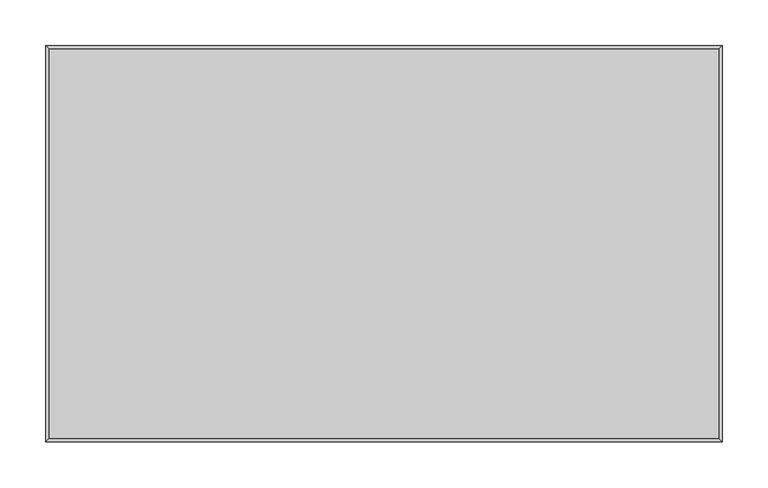
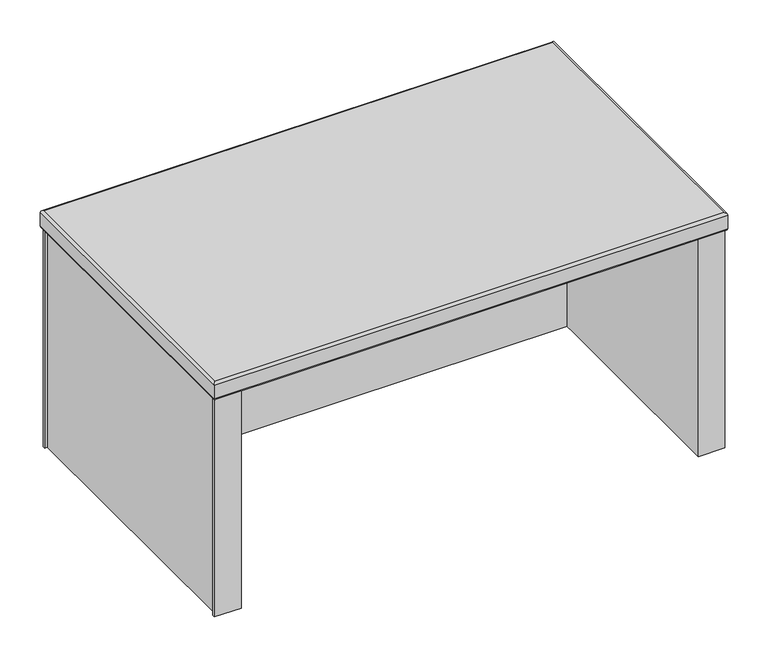
"""IFC4 building model written with IfcOpenShell, lengths in millimetres: furniture geometry."""

from ifc_helpers import new_model, si_unit, frame, origin, place, context, project, spatial, polyline, ellipse_curve, outline, extrude, source, transform, mapped, element, save
from ifc_brep_helpers import plane_surface, cylinder_surface, advanced_brep


def furniture_2478522f(model_context):
    return source(origin(), model_context, "Body", "SolidModel", [
        extrude(outline(polyline([(2.1843999, -428.6122828), (2.1843999, -424.8023046), (6.3245998, -424.8023046), (6.3245998, -6.9722999), (2.1843999, -6.9722999), (2.1843999, -3.1622999), (40.4875995, -3.1622999), (40.4875995, -428.6122828), (2.1843999, -428.6122828)]), holes=[polyline([(39.2176008, -24.6850803), (39.2176008, -4.4323001), (11.8872002, -4.4323001), (11.8872002, -6.9722999), (7.5946003, -6.9722999), (7.5946003, -24.6850803), (39.2176008, -24.6850803)]), polyline([(39.2176008, -407.1149197), (7.5946003, -407.1149197), (7.5946003, -424.8277001), (11.8872002, -424.8277001), (11.8872002, -427.3676999), (39.2176008, -427.3676999), (39.2176008, -407.1149197)])]), frame((0.0, 0.0, 738.2002), z_axis=(0.0, 0.0, 1.0), x_axis=(1.0, 0.0, 0.0)), (0.0, 0.0, 1.0), 330.3270029),
        extrude(outline(polyline([(734.4162057, -428.6122828), (696.113006, -428.6122828), (696.113006, -3.1622999), (734.4162057, -3.1622999), (734.4162057, -6.9722999), (730.2760058, -6.9722999), (730.2760058, -424.8023046), (734.4162057, -424.8023046), (734.4162057, -428.6122828)]), holes=[polyline([(697.3830048, -24.6850803), (729.0060053, -24.6850803), (729.0060053, -6.9722999), (724.7134053, -6.9722999), (724.7134053, -4.4323001), (697.3830048, -4.4323001), (697.3830048, -24.6850803)]), polyline([(697.3830048, -407.1149197), (697.3830048, -427.3676999), (724.7134053, -427.3676999), (724.7134053, -424.8277001), (729.0060053, -424.8277001), (729.0060053, -407.1149197), (697.3830048, -407.1149197)])]), frame((0.0, 0.0, 738.2002), z_axis=(0.0, 0.0, 1.0), x_axis=(1.0, 0.0, 0.0)), (0.0, 0.0, 1.0), 330.3270029),
        advanced_brep(
        [(736.6006056, 0.0, 1092.2281807), (733.4256056, -3.175, 1095.4031807), (733.2914366, -428.625, 1095.4003446), (736.6006056, -431.8, 1092.2281807), (736.6006056, -431.8, 1071.7022029), (736.6006056, 0.0, 1071.7022029), (733.4256056, -428.625, 1068.5272029), (733.4256056, -3.175, 1068.5272029), (3.175, -428.4908311, 1095.4003446), (0.0, -431.8, 1092.2281807), (0.0, -431.8, 1071.7022029), (3.175, -428.625, 1068.5272029), (3.3091689, -3.175, 1095.4003446), (0.0, 0.0, 1092.2281807), (0.0, 0.0, 1071.7022029), (3.175, -3.175, 1068.5272029)],
        [
            (0, 1, ellipse_curve(frame((733.4256056, -3.175, 1092.2281807), z_axis=(0.7071067811865475, -0.7071067811865475, 0.0), x_axis=(0.7071067811865474, 0.7071067811865476, 0.0)), 4.4901281, 3.175)),
            (1, 2),
            (2, 3, ellipse_curve(frame((733.4256056, -428.625, 1092.2281807), z_axis=(0.7071067811865475, 0.7071067811865475, 0.0), x_axis=(-0.7071067811865474, 0.7071067811865476, 0.0)), 4.4901281, 3.175)),
            (3, 0),
            (3, 4),
            (4, 5),
            (5, 0),
            (4, 6, ellipse_curve(frame((733.4256056, -428.625, 1071.7022029), z_axis=(0.7071067811865475, 0.7071067811865475, 0.0), x_axis=(-0.7071067811865474, 0.7071067811865476, 0.0)), 4.4901281, 3.175)),
            (6, 7),
            (7, 5, ellipse_curve(frame((733.4256056, -3.175, 1071.7022029), z_axis=(0.7071067811865475, -0.7071067811865475, 0.0), x_axis=(0.7071067811865474, 0.7071067811865476, 0.0)), 4.4901281, 3.175)),
            (2, 8),
            (8, 9, ellipse_curve(frame((3.175, -428.625, 1092.2281807), z_axis=(0.7071067811865475, -0.7071067811865475, 0.0), x_axis=(0.7071067811865476, 0.7071067811865474, 0.0)), 4.4901281, 3.175)),
            (9, 3),
            (9, 10),
            (10, 4),
            (10, 11, ellipse_curve(frame((3.175, -428.625, 1071.7022029), z_axis=(0.7071067811865475, -0.7071067811865475, 0.0), x_axis=(0.7071067811865476, 0.7071067811865474, 0.0)), 4.4901281, 3.175)),
            (11, 6),
            (8, 12),
            (12, 13, ellipse_curve(frame((3.175, -3.175, 1092.2281807), z_axis=(-0.7071067811865475, -0.7071067811865475, 0.0), x_axis=(0.7071067811865474, -0.7071067811865476, 0.0)), 4.4901281, 3.175)),
            (13, 9),
            (13, 14),
            (14, 10),
            (14, 15, ellipse_curve(frame((3.175, -3.175, 1071.7022029), z_axis=(-0.7071067811865475, -0.7071067811865475, 0.0), x_axis=(0.7071067811865474, -0.7071067811865476, 0.0)), 4.4901281, 3.175)),
            (15, 11),
            (0, 13),
            (12, 1),
            (5, 14),
            (7, 15),
        ],
        [
            cylinder_surface(frame((733.4256056, -3.175, 1092.2281807), z_axis=(0.0, 1.0, 0.0), x_axis=(1.0, 0.0, 0.0)), 3.175),
            plane_surface(frame((736.6006056, 0.0, 1092.2281807), z_axis=(1.0, 0.0, 0.0), x_axis=(0.0, -1.0, 0.0))),
            cylinder_surface(frame((733.4256056, -3.175, 1071.7022029), z_axis=(0.0, 1.0, 0.0), x_axis=(1.0, 0.0, 0.0)), 3.175),
            cylinder_surface(frame((733.4256056, -428.625, 1092.2281807), z_axis=(1.0, 0.0, 0.0), x_axis=(0.0, -1.0, 0.0)), 3.175),
            plane_surface(frame((736.6006056, -431.8, 1092.2281807), z_axis=(0.0, -1.0, 0.0), x_axis=(-1.0, 0.0, 0.0))),
            cylinder_surface(frame((733.4256056, -428.625, 1071.7022029), z_axis=(1.0, 0.0, 0.0), x_axis=(0.0, -1.0, 0.0)), 3.175),
            cylinder_surface(frame((3.175, -428.625, 1092.2281807), z_axis=(0.0, -1.0, 0.0), x_axis=(-1.0, 0.0, 0.0)), 3.175),
            plane_surface(frame((0.0, -431.8, 1092.2281807), z_axis=(-1.0, 0.0, 0.0), x_axis=(0.0, 1.0, 0.0))),
            cylinder_surface(frame((3.175, -428.625, 1071.7022029), z_axis=(0.0, -1.0, 0.0), x_axis=(-1.0, 0.0, 0.0)), 3.175),
            cylinder_surface(frame((3.175, -3.175, 1092.2281807), z_axis=(-1.0, 0.0, 0.0), x_axis=(0.0, 1.0, 0.0)), 3.175),
            plane_surface(frame((0.0, 0.0, 1092.2281807), z_axis=(0.0, 1.0, 0.0), x_axis=(1.0, 0.0, 0.0))),
            cylinder_surface(frame((3.175, -3.175, 1071.7022029), z_axis=(-1.0, 0.0, 0.0), x_axis=(0.0, 1.0, 0.0)), 3.175),
            plane_surface(frame((3.175, -3.175, 1068.5272029), z_axis=(0.0, 0.0, -1.0), x_axis=(1.0, 0.0, 0.0))),
            plane_surface(frame((3.175, -3.175, 1095.4003446), z_axis=(0.0, 0.0, 1.0), x_axis=(-1.0, 0.0, 0.0))),
        ],
        [
            (0, [[1, 2, 3, 4]]),
            (1, [[-4, 5, 6, 7]]),
            (2, [[-6, 8, 9, 10]]),
            (3, [[-3, 11, 12, 13]]),
            (4, [[-5, -13, 14, 15]]),
            (5, [[-8, -15, 16, 17]]),
            (6, [[-12, 18, 19, 20]]),
            (7, [[-14, -20, 21, 22]]),
            (8, [[-16, -22, 23, 24]]),
            (9, [[-1, 25, -19, 26]]),
            (10, [[-7, 27, -21, -25]]),
            (11, [[-10, 28, -23, -27]]),
            (12, [[-9, -17, -24, -28]]),
            (13, [[-2, -26, -18, -11]]),
        ],
    ),
        extrude(outline(polyline([(696.1123793, -101.5861321), (696.1123793, -102.8561309), (40.4875995, -102.8561309), (40.4875995, -101.5861321), (696.1123793, -101.5861321)])), frame((0.0, 0.0, 738.2002), z_axis=(0.0, 0.0, 1.0), x_axis=(1.0, 0.0, 0.0)), (0.0, 0.0, 1.0), 329.2271427),
    ])


if __name__ == "__main__":
    model = new_model("IFC4")
    model_context = context("Model", 3, world=origin())
    ifc_project = project(units=[si_unit("LENGTHUNIT", "METRE", prefix="MILLI")], contexts=[model_context])
    site = spatial("IfcSite", under=ifc_project)
    building = spatial("IfcBuilding", under=site)
    placement = place(None, origin())
    furniture_shape = furniture_2478522f(model_context)
    element("IfcFurniture", 1, at=placement, inside=building, context=model_context, shape_type="MappedRepresentation", body=[
        mapped(furniture_shape, transform((0.0, 0.0, 0.0), x_axis=(1.0, 0.0, 0.0), y_axis=(0.0, 1.0, 0.0), z_axis=(0.0, 0.0, 1.0))),
    ])
    save(model, "model.ifc")
